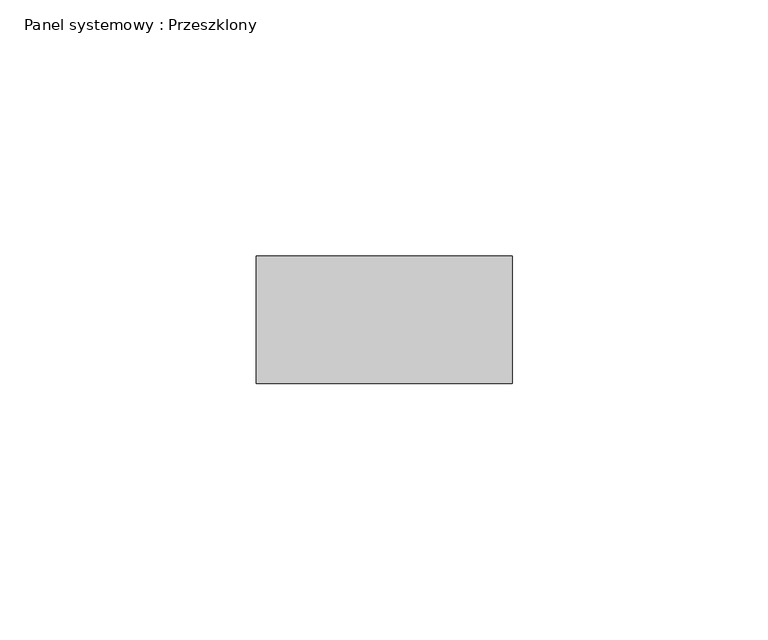
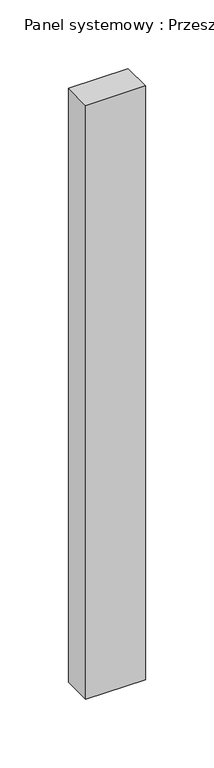
"""IFC4 building model written with IfcOpenShell, lengths in millimetres: plate geometry, Panel systemowy : Przeszklony."""

from ifc_helpers import new_model, si_unit, origin, origin_with_axes, place, context, project, spatial, polyline, outline, extrude, source, transform, mapped, element, save


def panel_systemowy_przeszklony_1dee70be(model_context):
    return source(origin(), model_context, "Body", "SweptSolid", [
        extrude(outline(polyline([(25.0, 24.5), (-25.0, 24.5), (-25.0, 49.5), (25.0, 49.5), (25.0, 24.5)])), origin_with_axes(), (0.0, 0.0, 1.0), 526.9756315),
    ])


if __name__ == "__main__":
    model = new_model("IFC4")
    model_context = context("Model", 3, world=origin())
    ifc_project = project(units=[si_unit("LENGTHUNIT", "METRE", prefix="MILLI")], contexts=[model_context])
    site = spatial("IfcSite", under=ifc_project)
    building = spatial("IfcBuilding", under=site)
    placement = place(None, origin())
    panel_systemowy_przeszklony_shape = panel_systemowy_przeszklony_1dee70be(model_context)
    element("IfcPlate", 1, ObjectType="Panel systemowy : Przeszklony", at=placement, inside=building, context=model_context, shape_type="MappedRepresentation", body=[
        mapped(panel_systemowy_przeszklony_shape, transform((0.0, 0.0, 0.0), x_axis=(1.0, 0.0, 0.0), y_axis=(0.0, 1.0, 0.0), z_axis=(0.0, 0.0, 1.0))),
    ])
    save(model, "model.ifc")
